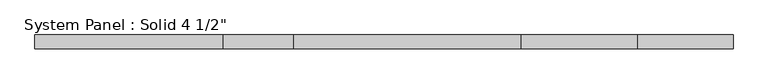
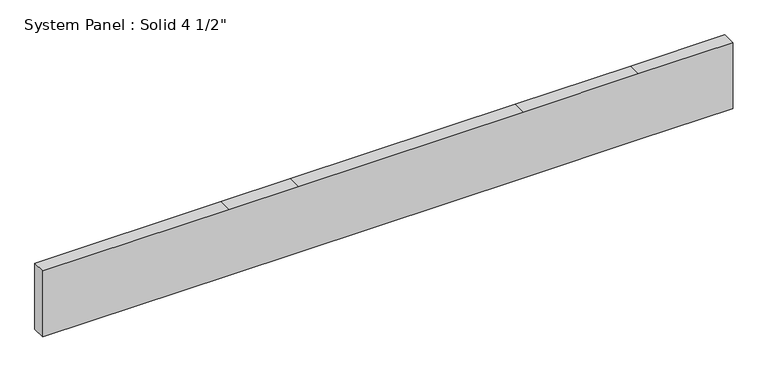
"""IFC4 building model written with IfcOpenShell, lengths in millimetres: plate geometry."""

from ifc_helpers import new_model, si_unit, frame, origin, place, context, project, spatial, polyline, outline, extrude, source, transform, mapped, element, save


def plate_10dec521(model_context):
    return source(origin(), model_context, "Body", "SweptSolid", [
        extrude(outline(polyline([(0.0, -2887.2223053), (0.0, -1329.1776947), (0.0, -744.9776947), (0.0, 1134.6223053), (0.0, 2099.8223053), (0.0, 2887.2223053), (584.2, 2887.2223053), (584.2, 2099.8223053), (584.2, 1134.6223053), (584.2, -744.9776947), (584.2, -1329.1776947), (584.2, -2887.2223053), (0.0, -2887.2223053)])), frame((0.0, -57.15, 0.0), z_axis=(0.0, 1.0, 0.0), x_axis=(0.0, 0.0, 1.0)), (0.0, 0.0, 1.0), 114.3),
    ])


if __name__ == "__main__":
    model = new_model("IFC4")
    model_context = context("Model", 3, world=origin())
    ifc_project = project(units=[si_unit("LENGTHUNIT", "METRE", prefix="MILLI")], contexts=[model_context])
    site = spatial("IfcSite", under=ifc_project)
    building = spatial("IfcBuilding", under=site)
    placement = place(None, origin())
    plate_shape = plate_10dec521(model_context)
    element("IfcPlate", 1, ObjectType="System Panel : Solid 4 1/2\"", at=placement, inside=building, context=model_context, shape_type="MappedRepresentation", body=[
        mapped(plate_shape, transform((0.0, 0.0, 0.0), x_axis=(1.0, 0.0, 0.0), y_axis=(0.0, 1.0, 0.0), z_axis=(0.0, 0.0, 1.0))),
    ])
    save(model, "model.ifc")
